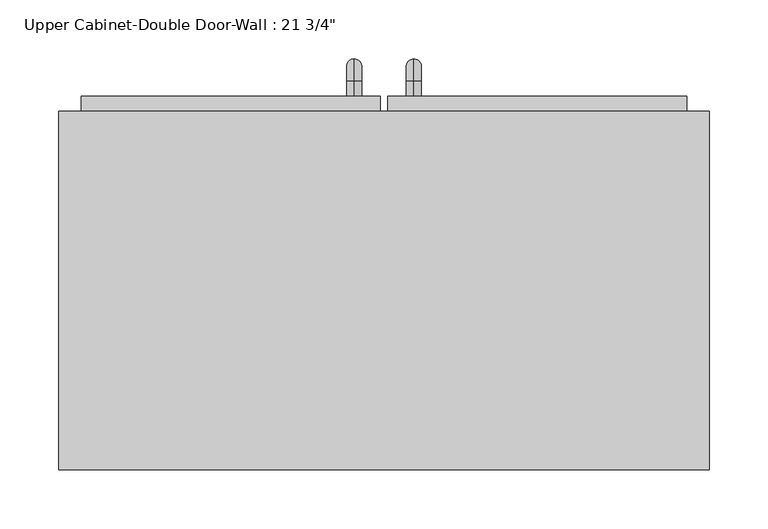
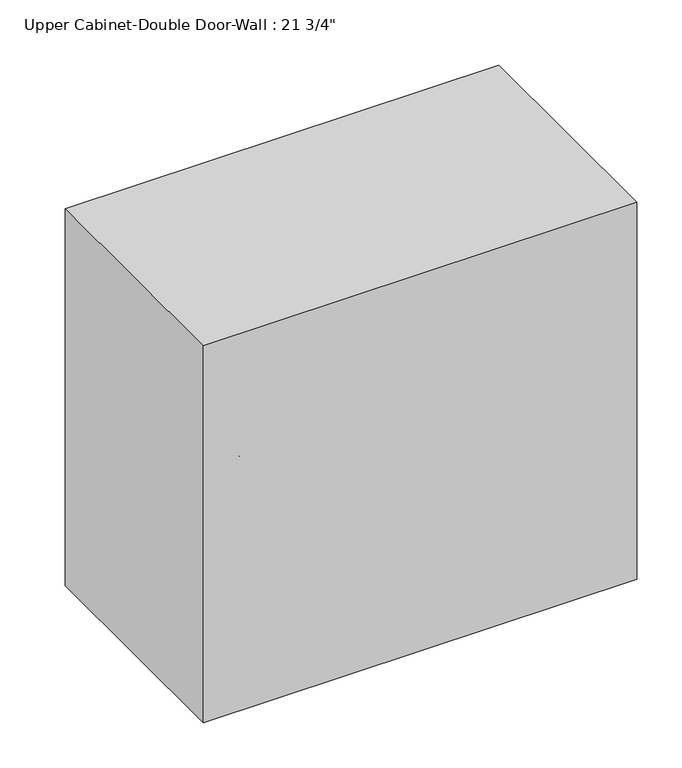
"""IFC4 building model written with IfcOpenShell, lengths in millimetres: furniture geometry."""

import ifcopenshell
import ifcopenshell.guid

model = None  # the IFC model being written
_history = None  # IfcOwnerHistory: only IFC2X3 demands one
_inside = {}  # id of a spatial element -> (the spatial element, [elements in it])
_under = {}  # id of a project, library or spatial element -> (it, [spatial elements below it])
_declared = {}  # id of a project -> (the project, [libraries it declares])
_typed = {}  # id of a type object -> (the type object, [elements of that type])
_made_of = {}  # id of a material, layer set ... -> (it, [elements and type objects made of it])


def new_model(schema):
    """Start an empty IFC model of exactly this schema.

    Asked for "IFC4X3", IfcOpenShell would pick the latest addendum, in which some entities
    have other attributes; the version numbers below select the first issue.
    IFC2X3 requires an IfcOwnerHistory on every rooted entity: one is made here for all.
    """
    global model, _history
    if schema == "IFC4X3":
        model = ifcopenshell.file(schema_version=(4, 3, 0, 0))
    else:
        model = ifcopenshell.file(schema=schema)
    _inside.clear()
    _under.clear()
    _declared.clear()
    _typed.clear()
    _made_of.clear()
    _history = None
    if model.schema == "IFC2X3":
        org = make("IfcOrganization", Name="unknown")
        user = make(
            "IfcPersonAndOrganization",
            ThePerson=make("IfcPerson", FamilyName="unknown"),
            TheOrganization=org,
        )
        app = make(
            "IfcApplication",
            ApplicationDeveloper=org,
            Version="unknown",
            ApplicationFullName="unknown",
            ApplicationIdentifier="unknown",
        )
        _history = make(
            "IfcOwnerHistory",
            OwningUser=user,
            OwningApplication=app,
            ChangeAction="ADDED",
            CreationDate=0,
        )
    return model


def make(cls, **values):
    """One entity of the class cls with the attributes given. An attribute that is None is left unset."""
    return model.create_entity(
        cls, **{name: value for name, value in values.items() if value is not None}
    )


def rooted(cls, **values):
    """An entity with a GlobalId (a new one), such as an element, a storey or a relation."""
    return make(cls, GlobalId=ifcopenshell.guid.new(), OwnerHistory=_history, **values)


def si_unit(unit_type, name, prefix=None):
    """IfcSIUnit, for example si_unit("LENGTHUNIT", "METRE", prefix="MILLI")."""
    return make("IfcSIUnit", UnitType=unit_type, Prefix=prefix, Name=name)


def assignment(units):
    """IfcUnitAssignment: the units of a project."""
    return None if units is None else make("IfcUnitAssignment", Units=units)


def point(xyz):
    """IfcCartesianPoint."""
    return None if xyz is None else make("IfcCartesianPoint", Coordinates=xyz)


def direction(xyz):
    """IfcDirection."""
    return None if xyz is None else make("IfcDirection", DirectionRatios=xyz)


def frame(location, z_axis=None, x_axis=None):
    """IfcAxis2Placement3D, a coordinate frame: its origin and axes. An axis left out is left unset."""
    return make(
        "IfcAxis2Placement3D",
        Location=point(location),
        Axis=direction(z_axis),
        RefDirection=direction(x_axis),
    )


def origin():
    """The frame at (0, 0, 0) with its axes left unset."""
    return frame((0.0, 0.0, 0.0))


def place(relative_to, where):
    """IfcLocalPlacement: puts the frame where relative to a parent placement (None: the world)."""
    return make(
        "IfcLocalPlacement", PlacementRelTo=relative_to, RelativePlacement=where
    )


def context(
    kind, dimensions, precision=None, world=None, true_north=None, identifier=None
):
    """IfcGeometricRepresentationContext, for example the 3D "Model" context."""
    return make(
        "IfcGeometricRepresentationContext",
        ContextIdentifier=identifier,
        ContextType=kind,
        CoordinateSpaceDimension=dimensions,
        Precision=precision,
        WorldCoordinateSystem=world,
        TrueNorth=true_north,
    )


def project(units=None, contexts=None):
    """IfcProject with its units and contexts."""
    return rooted(
        "IfcProject",
        Name="project",
        RepresentationContexts=contexts,
        UnitsInContext=assignment(units),
    )


def spatial(cls, under=None, at=None, **own):
    """A site, building, storey or space (cls), placed at a placement, below another one or the project."""
    s = rooted(cls, ObjectPlacement=at, **own)
    if under is not None:
        _under.setdefault(under.id(), (under, []))[1].append(s)
    return s


def polyline(points):
    """IfcPolyline through the points."""
    return make("IfcPolyline", Points=[point(p) for p in points])


def circle_curve(where, radius):
    """IfcCircle in the frame where."""
    return make("IfcCircle", Position=where, Radius=radius)


def ellipse_curve(where, semi_axis1, semi_axis2):
    """IfcEllipse in the frame where."""
    return make(
        "IfcEllipse", Position=where, SemiAxis1=semi_axis1, SemiAxis2=semi_axis2
    )


def trimmed(basis, trim1, trim2, sense, master):
    """IfcTrimmedCurve: the piece of a basis curve between two trims."""
    return make(
        "IfcTrimmedCurve",
        BasisCurve=basis,
        Trim1=trim1,
        Trim2=trim2,
        SenseAgreement=sense,
        MasterRepresentation=master,
    )


def outline(outer, holes=None, kind="AREA"):
    """IfcArbitraryClosedProfileDef: a profile drawn as a closed curve; with holes, ...WithVoids."""
    if holes is None:
        return make("IfcArbitraryClosedProfileDef", ProfileType=kind, OuterCurve=outer)
    return make(
        "IfcArbitraryProfileDefWithVoids",
        ProfileType=kind,
        OuterCurve=outer,
        InnerCurves=holes,
    )


def extrude(swept, where, along, depth):
    """IfcExtrudedAreaSolid: the profile swept, set in the frame where, extruded along a direction by depth."""
    return make(
        "IfcExtrudedAreaSolid",
        SweptArea=swept,
        Position=where,
        ExtrudedDirection=direction(along),
        Depth=depth,
    )


def faces_of(points, faces, orient=None, outer=None):
    """IfcFace entities. A face is a list of loops; a loop is a list of indices into points, from 0.

    orient and outer hold one flag for each loop. By default every Orientation is true, the
    first loop of a face is its IfcFaceOuterBound and the others are IfcFaceBound.
    """
    made = []
    for i, loops in enumerate(faces):
        bounds = []
        for j, loop in enumerate(loops):
            is_outer = j == 0 if outer is None else outer[i][j]
            bounds.append(
                make(
                    "IfcFaceOuterBound" if is_outer else "IfcFaceBound",
                    Bound=make("IfcPolyLoop", Polygon=[points[k] for k in loop]),
                    Orientation=True if orient is None else orient[i][j],
                )
            )
        made.append(make("IfcFace", Bounds=bounds))
    return made


def faceted_brep(points, faces, orient=None, outer=None, voids=None):
    """IfcFacetedBrep: a solid bounded by flat faces; with voids (closed shells), ...WithVoids."""
    shared = [point(p) for p in points]
    hull = make("IfcClosedShell", CfsFaces=faces_of(shared, faces, orient, outer))
    if voids is None:
        return make("IfcFacetedBrep", Outer=hull)
    return make(
        "IfcFacetedBrepWithVoids",
        Outer=hull,
        Voids=[
            make(cls, CfsFaces=faces_of(shared, fs, o, b)) for cls, fs, o, b in voids
        ],
    )


def shape(context_of_items, identifier, shape_type, items):
    """IfcShapeRepresentation: the items that make up one representation, for example the "Body"."""
    return make(
        "IfcShapeRepresentation",
        ContextOfItems=context_of_items,
        RepresentationIdentifier=identifier,
        RepresentationType=shape_type,
        Items=items,
    )


def source(mapping_origin, context_of_items, identifier, shape_type, items):
    """IfcRepresentationMap: a shape defined once, which mapped items show again and again."""
    return make(
        "IfcRepresentationMap",
        MappingOrigin=mapping_origin,
        MappedRepresentation=shape(context_of_items, identifier, shape_type, items),
    )


def transform(
    local_origin,
    x_axis=None,
    y_axis=None,
    z_axis=None,
    scale=None,
    scale2=None,
    scale3=None,
    uniform=True,
):
    """IfcCartesianTransformationOperator3D, or its non-uniform kind. x_axis, y_axis, z_axis: its Axis1, 2, 3."""
    if uniform:
        return make(
            "IfcCartesianTransformationOperator3D",
            Axis1=direction(x_axis),
            Axis2=direction(y_axis),
            LocalOrigin=point(local_origin),
            Scale=scale,
            Axis3=direction(z_axis),
        )
    return make(
        "IfcCartesianTransformationOperator3DnonUniform",
        Axis1=direction(x_axis),
        Axis2=direction(y_axis),
        LocalOrigin=point(local_origin),
        Scale=scale,
        Axis3=direction(z_axis),
        Scale2=scale2,
        Scale3=scale3,
    )


def mapped(mapping_source, mapping_target):
    """IfcMappedItem: shows the shape of a source again, moved by a transform."""
    return make(
        "IfcMappedItem", MappingSource=mapping_source, MappingTarget=mapping_target
    )


def made_of(thing, what):
    """Note that an element or type object is made of a material, layer set ...; save() writes the relation."""
    if what is not None:
        _made_of.setdefault(what.id(), (what, []))[1].append(thing)
    return thing


def element(
    cls,
    number,
    at=None,
    inside=None,
    cuts=None,
    type_object=None,
    material=None,
    context=None,
    identifier="Body",
    shape_type=None,
    held_by="IfcProductDefinitionShape",
    body=None,
    shapes=None,
    **own,
):
    """One element of the class cls, such as IfcWall. Its Tag is "e" and its number.

    at: its placement. inside: the storey or other place that contains it. cuts: it is an
    opening in that element (IfcRelVoidsElement). A single representation is given by context,
    identifier, shape_type and body (its items); several are given by shapes. held_by: the class
    of the entity that holds the representations. save() writes the other relations.
    """
    e = rooted(cls, Tag="e%d" % number, ObjectPlacement=at, **own)
    if body is not None:
        shapes = [shape(context, identifier, shape_type, body)]
    if shapes is not None:
        e.Representation = make(held_by, Representations=shapes)
    if inside is not None:
        _inside.setdefault(inside.id(), (inside, []))[1].append(e)
    if cuts is not None:
        rooted(
            "IfcRelVoidsElement", RelatingBuildingElement=cuts, RelatedOpeningElement=e
        )
    if type_object is not None:
        _typed.setdefault(type_object.id(), (type_object, []))[1].append(e)
    return made_of(e, material)


def aggregate(whole, parts):
    """IfcRelAggregates: a whole, such as a stair, and the parts it consists of."""
    return rooted("IfcRelAggregates", RelatingObject=whole, RelatedObjects=parts)


def save(model, path):
    """Write the relations noted so far, then the file.

    IfcRelAggregates (storeys below a building ...), IfcRelContainedInSpatialStructure (elements
    in a storey), IfcRelDefinesByType, IfcRelAssociatesMaterial and IfcRelDeclares: one each for
    every whole, place, type object, material and project.
    """
    for whole, parts in _under.values():
        aggregate(whole, parts)
    for where, things in _inside.values():
        rooted(
            "IfcRelContainedInSpatialStructure",
            RelatedElements=things,
            RelatingStructure=where,
        )
    for kind, things in _typed.values():
        rooted("IfcRelDefinesByType", RelatedObjects=things, RelatingType=kind)
    for what, things in _made_of.values():
        rooted("IfcRelAssociatesMaterial", RelatedObjects=things, RelatingMaterial=what)
    for by, libraries in _declared.values():
        rooted("IfcRelDeclares", RelatingContext=by, RelatedDefinitions=libraries)
    model.write(path)


def plane_surface(at):
    """IfcPlane: the flat surface through the origin of the frame at, square to its z axis."""
    return make("IfcPlane", Position=at)


def cylinder_surface(at, radius):
    """IfcCylindricalSurface: all points at the distance radius from the z axis of the frame at."""
    return make("IfcCylindricalSurface", Position=at, Radius=radius)


def revolved_surface(curve, axis_point, axis_direction):
    """IfcSurfaceOfRevolution: the curve turned about the line through axis_point along axis_direction."""
    return make(
        "IfcSurfaceOfRevolution",
        SweptCurve=make("IfcArbitraryOpenProfileDef", ProfileType="CURVE", Curve=curve),
        AxisPosition=make("IfcAxis1Placement", Location=point(axis_point), Axis=direction(axis_direction)),
    )


def advanced_brep(points, edges, surfaces, faces):
    """IfcAdvancedBrep: a solid bounded by faces that lie on surfaces and meet in shared edges.

    An edge is (start, end): straight between two places in points (the first is 0);
    or (start, end, curve); or (start, end, curve, False) where it runs against its curve.
    A face is (place in surfaces, loops), or (place, loops, False) where it looks against
    its surface's normal. A loop lists edges by number (the first is 1), with a minus sign
    where the edge is run from its end to its start. The first loop is the outer one.
    """
    corners = [point(p) for p in points]
    vertices = [make("IfcVertexPoint", VertexGeometry=c) for c in corners]
    made = []
    for start, end, *more in edges:
        made.append(
            make(
                "IfcEdgeCurve",
                EdgeStart=vertices[start],
                EdgeEnd=vertices[end],
                EdgeGeometry=more[0] if more else make("IfcPolyline", Points=[corners[start], corners[end]]),
                SameSense=more[1] if len(more) > 1 else True,
            )
        )
    hull = []
    for where, loops, *sense in faces:
        bounds = []
        for j, loop in enumerate(loops):
            ring = [make("IfcOrientedEdge", EdgeElement=made[abs(k) - 1], Orientation=k > 0) for k in loop]
            bounds.append(
                make(
                    "IfcFaceOuterBound" if j == 0 else "IfcFaceBound",
                    Bound=make("IfcEdgeLoop", EdgeList=ring),
                    Orientation=True,
                )
            )
        hull.append(make("IfcAdvancedFace", Bounds=bounds, FaceSurface=surfaces[where], SameSense=sense[0] if sense else True))
    return make("IfcAdvancedBrep", Outer=make("IfcClosedShell", CfsFaces=hull))


def furniture_36d92f7d(model_context):
    return source(origin(), model_context, "Body", "SolidModel", [
        faceted_brep([(-246.4538372, 53.975, 2133.6), (-246.4538372, 53.975, 1625.6), (305.9961628, 53.975, 1625.6), (305.9961628, 53.975, 2133.6), (-246.4538372, 358.775, 2133.6), (305.9961628, 358.775, 2133.6), (305.9961628, 358.775, 1625.6), (-246.4538372, 358.775, 1625.6), (-227.4038372, 358.775, 2114.55), (-227.4038372, 358.775, 1644.65), (286.9461628, 358.775, 1644.65), (286.9461628, 358.775, 2114.55), (286.9461628, 73.025, 2114.55), (-227.4038372, 73.025, 2114.55), (286.9461628, 73.025, 1644.65), (-227.4038372, 73.025, 1644.65)], [[[0, 1, 2, 3]], [[4, 5, 6, 7], [8, 9, 10, 11]], [[1, 0, 4, 7]], [[2, 1, 7, 6]], [[3, 2, 6, 5]], [[0, 3, 5, 4]], [[8, 11, 12, 13]], [[11, 10, 14, 12]], [[10, 9, 15, 14]], [[9, 8, 13, 15]], [[13, 12, 14, 15]]]),
        advanced_brep(
        [(55.1711628, 371.475, 1771.65), (55.1711628, 371.475, 1784.35), (55.1711628, 384.175, 1771.65), (55.1711628, 384.175, 1784.35), (55.1711628, 403.225, 1765.3), (55.1711628, 390.525, 1765.3), (55.1711628, 390.525, 1689.1), (55.1711628, 403.225, 1689.1), (55.1711628, 384.175, 1670.05), (55.1711628, 384.175, 1682.75), (55.1711628, 371.475, 1682.75), (55.1711628, 371.475, 1670.05)],
        [
            (0, 1, circle_curve(frame((55.1711628, 371.475, 1778.0), z_axis=(0.0, -1.0, 0.0), x_axis=(0.0, 0.0, -1.0)), 6.35)),
            (1, 0, circle_curve(frame((55.1711628, 371.475, 1778.0), z_axis=(0.0, -1.0, 0.0), x_axis=(0.0, 0.0, -1.0)), 6.35)),
            (0, 2),
            (2, 3, circle_curve(frame((55.1711628, 384.175, 1778.0), z_axis=(0.0, -1.0, 0.0), x_axis=(0.0, 0.0, -1.0)), 6.35)),
            (3, 1),
            (3, 2, circle_curve(frame((55.1711628, 384.175, 1778.0), z_axis=(0.0, -1.0, 0.0), x_axis=(0.0, 0.0, -1.0)), 6.35)),
            (4, 3, circle_curve(frame((55.1711628, 384.175, 1765.3), z_axis=(1.0, 0.0, 0.0), x_axis=(0.0, 0.0, 1.0)), 19.05)),
            (2, 5, circle_curve(frame((55.1711628, 384.175, 1765.3), z_axis=(-1.0, 0.0, 0.0), x_axis=(0.0, 0.0, 1.0)), 6.35)),
            (5, 4, circle_curve(frame((55.1711628, 396.875, 1765.3), z_axis=(0.0, 0.0, 1.0), x_axis=(0.0, -1.0, 0.0)), 6.35)),
            (4, 5, circle_curve(frame((55.1711628, 396.875, 1765.3), z_axis=(0.0, 0.0, 1.0), x_axis=(0.0, -1.0, 0.0)), 6.35)),
            (5, 6),
            (6, 7, circle_curve(frame((55.1711628, 396.875, 1689.1), z_axis=(0.0, 0.0, 1.0), x_axis=(0.0, -1.0, 0.0)), 6.35)),
            (7, 4),
            (7, 6, circle_curve(frame((55.1711628, 396.875, 1689.1), z_axis=(0.0, 0.0, 1.0), x_axis=(0.0, -1.0, 0.0)), 6.35)),
            (8, 7, circle_curve(frame((55.1711628, 384.175, 1689.1), z_axis=(1.0, 0.0, 0.0), x_axis=(0.0, 1.0, 0.0)), 19.05)),
            (6, 9, circle_curve(frame((55.1711628, 384.175, 1689.1), z_axis=(-1.0, 0.0, 0.0), x_axis=(0.0, 1.0, 0.0)), 6.35)),
            (9, 8, circle_curve(frame((55.1711628, 384.175, 1676.4), z_axis=(0.0, 1.0, 0.0), x_axis=(0.0, 0.0, 1.0)), 6.35)),
            (8, 9, circle_curve(frame((55.1711628, 384.175, 1676.4), z_axis=(0.0, 1.0, 0.0), x_axis=(0.0, 0.0, 1.0)), 6.35)),
            (10, 11, circle_curve(frame((55.1711628, 371.475, 1676.4), z_axis=(0.0, -1.0, 0.0), x_axis=(0.0, 0.0, 1.0)), 6.35)),
            (11, 10, circle_curve(frame((55.1711628, 371.475, 1676.4), z_axis=(0.0, -1.0, 0.0), x_axis=(0.0, 0.0, 1.0)), 6.35)),
            (9, 10),
            (11, 8),
        ],
        [
            plane_surface(frame((48.8211628, 371.475, 1778.0), z_axis=(0.0, -1.0, 0.0), x_axis=(0.0, 0.0, 1.0))),
            cylinder_surface(frame((55.1711628, 371.475, 1778.0), z_axis=(0.0, -1.0, 0.0), x_axis=(0.0, 0.0, -1.0)), 6.35),
            revolved_surface(trimmed(ellipse_curve(frame((55.1711628, 384.175, 1778.0), z_axis=(0.0, -1.0, 0.0), x_axis=(0.0, 0.0, -1.0)), 6.35, 6.35), [point((55.1711628, 384.175, 1771.65))], [point((55.1711628, 384.175, 1784.35))], True, "CARTESIAN"), (55.1711628, 384.175, 1765.3), (-1.0, 0.0, 0.0)),
            revolved_surface(trimmed(ellipse_curve(frame((55.1711628, 384.175, 1778.0), z_axis=(0.0, -1.0, 0.0), x_axis=(0.0, 0.0, -1.0)), 6.35, 6.35), [point((55.1711628, 384.175, 1784.35))], [point((55.1711628, 384.175, 1771.65))], True, "CARTESIAN"), (55.1711628, 384.175, 1765.3), (-1.0, 0.0, 0.0)),
            cylinder_surface(frame((55.1711628, 396.875, 1765.3), z_axis=(0.0, 0.0, 1.0), x_axis=(0.0, -1.0, 0.0)), 6.35),
            revolved_surface(trimmed(ellipse_curve(frame((55.1711628, 396.875, 1689.1), z_axis=(0.0, 0.0, 1.0), x_axis=(0.0, -1.0, 0.0)), 6.35, 6.35), [point((55.1711628, 390.525, 1689.1))], [point((55.1711628, 403.225, 1689.1))], True, "CARTESIAN"), (55.1711628, 384.175, 1689.1), (-1.0, 0.0, 0.0)),
            revolved_surface(trimmed(ellipse_curve(frame((55.1711628, 396.875, 1689.1), z_axis=(0.0, 0.0, 1.0), x_axis=(0.0, -1.0, 0.0)), 6.35, 6.35), [point((55.1711628, 403.225, 1689.1))], [point((55.1711628, 390.525, 1689.1))], True, "CARTESIAN"), (55.1711628, 384.175, 1689.1), (-1.0, 0.0, 0.0)),
            plane_surface(frame((48.8211628, 371.475, 1676.4), z_axis=(0.0, -1.0, 0.0), x_axis=(0.0, 0.0, -1.0))),
            cylinder_surface(frame((55.1711628, 384.175, 1676.4), z_axis=(0.0, 1.0, 0.0), x_axis=(0.0, 0.0, 1.0)), 6.35),
        ],
        [
            (0, [[1, 2]]),
            (1, [[-1, 3, 4, 5]]),
            (1, [[-2, -5, 6, -3]]),
            (2, [[7, -4, 8, 9]]),
            (3, [[-8, -6, -7, 10]]),
            (4, [[-9, 11, 12, 13]]),
            (4, [[-10, -13, 14, -11]]),
            (5, [[15, -12, 16, 17]]),
            (6, [[-16, -14, -15, 18]]),
            (7, [[19, 20]]),
            (8, [[-17, 21, -20, 22]]),
            (8, [[-18, -22, -19, -21]]),
        ],
    ),
        advanced_brep(
        [(4.3711628, 371.475, 1771.65), (4.3711628, 371.475, 1784.35), (4.3711628, 384.175, 1771.65), (4.3711628, 384.175, 1784.35), (4.3711628, 403.225, 1765.3), (4.3711628, 390.525, 1765.3), (4.3711628, 390.525, 1689.1), (4.3711628, 403.225, 1689.1), (4.3711628, 384.175, 1670.05), (4.3711628, 384.175, 1682.75), (4.3711628, 371.475, 1682.75), (4.3711628, 371.475, 1670.05)],
        [
            (0, 1, circle_curve(frame((4.3711628, 371.475, 1778.0), z_axis=(0.0, -1.0, 0.0), x_axis=(0.0, 0.0, 1.0)), 6.35)),
            (1, 0, circle_curve(frame((4.3711628, 371.475, 1778.0), z_axis=(0.0, -1.0, 0.0), x_axis=(0.0, 0.0, 1.0)), 6.35)),
            (0, 2),
            (2, 3, circle_curve(frame((4.3711628, 384.175, 1778.0), z_axis=(0.0, -1.0, 0.0), x_axis=(0.0, 0.0, 1.0)), 6.35)),
            (3, 1),
            (3, 2, circle_curve(frame((4.3711628, 384.175, 1778.0), z_axis=(0.0, -1.0, 0.0), x_axis=(0.0, 0.0, 1.0)), 6.35)),
            (4, 3, circle_curve(frame((4.3711628, 384.175, 1765.3), z_axis=(1.0, 0.0, 0.0), x_axis=(0.0, 0.0, 1.0)), 19.05)),
            (2, 5, circle_curve(frame((4.3711628, 384.175, 1765.3), z_axis=(-1.0, 0.0, 0.0), x_axis=(0.0, 0.0, 1.0)), 6.35)),
            (5, 4, circle_curve(frame((4.3711628, 396.875, 1765.3), z_axis=(0.0, 0.0, 1.0), x_axis=(0.0, 1.0, 0.0)), 6.35)),
            (4, 5, circle_curve(frame((4.3711628, 396.875, 1765.3), z_axis=(0.0, 0.0, 1.0), x_axis=(0.0, 1.0, 0.0)), 6.35)),
            (5, 6),
            (6, 7, circle_curve(frame((4.3711628, 396.875, 1689.1), z_axis=(0.0, 0.0, 1.0), x_axis=(0.0, 1.0, 0.0)), 6.35)),
            (7, 4),
            (7, 6, circle_curve(frame((4.3711628, 396.875, 1689.1), z_axis=(0.0, 0.0, 1.0), x_axis=(0.0, 1.0, 0.0)), 6.35)),
            (8, 7, circle_curve(frame((4.3711628, 384.175, 1689.1), z_axis=(1.0, 0.0, 0.0), x_axis=(0.0, 1.0, 0.0)), 19.05)),
            (6, 9, circle_curve(frame((4.3711628, 384.175, 1689.1), z_axis=(-1.0, 0.0, 0.0), x_axis=(0.0, 1.0, 0.0)), 6.35)),
            (9, 8, circle_curve(frame((4.3711628, 384.175, 1676.4), z_axis=(0.0, 1.0, 0.0), x_axis=(0.0, 0.0, -1.0)), 6.35)),
            (8, 9, circle_curve(frame((4.3711628, 384.175, 1676.4), z_axis=(0.0, 1.0, 0.0), x_axis=(0.0, 0.0, -1.0)), 6.35)),
            (10, 11, circle_curve(frame((4.3711628, 371.475, 1676.4), z_axis=(0.0, -1.0, 0.0), x_axis=(0.0, 0.0, -1.0)), 6.35)),
            (11, 10, circle_curve(frame((4.3711628, 371.475, 1676.4), z_axis=(0.0, -1.0, 0.0), x_axis=(0.0, 0.0, -1.0)), 6.35)),
            (9, 10),
            (11, 8),
        ],
        [
            plane_surface(frame((-1.9788372, 371.475, 1778.0), z_axis=(0.0, -1.0, 0.0), x_axis=(0.0, 0.0, 1.0))),
            cylinder_surface(frame((4.3711628, 371.475, 1778.0), z_axis=(0.0, -1.0, 0.0), x_axis=(0.0, 0.0, 1.0)), 6.35),
            revolved_surface(trimmed(ellipse_curve(frame((4.3711628, 384.175, 1778.0), z_axis=(0.0, -1.0, 0.0), x_axis=(0.0, 0.0, 1.0)), 6.35, 6.35), [point((4.3711628, 384.175, 1771.65))], [point((4.3711628, 384.175, 1784.35))], True, "CARTESIAN"), (4.3711628, 384.175, 1765.3), (-1.0, 0.0, 0.0)),
            revolved_surface(trimmed(ellipse_curve(frame((4.3711628, 384.175, 1778.0), z_axis=(0.0, -1.0, 0.0), x_axis=(0.0, 0.0, 1.0)), 6.35, 6.35), [point((4.3711628, 384.175, 1784.35))], [point((4.3711628, 384.175, 1771.65))], True, "CARTESIAN"), (4.3711628, 384.175, 1765.3), (-1.0, 0.0, 0.0)),
            cylinder_surface(frame((4.3711628, 396.875, 1765.3), z_axis=(0.0, 0.0, 1.0), x_axis=(0.0, 1.0, 0.0)), 6.35),
            revolved_surface(trimmed(ellipse_curve(frame((4.3711628, 396.875, 1689.1), z_axis=(0.0, 0.0, 1.0), x_axis=(0.0, 1.0, 0.0)), 6.35, 6.35), [point((4.3711628, 390.525, 1689.1))], [point((4.3711628, 403.225, 1689.1))], True, "CARTESIAN"), (4.3711628, 384.175, 1689.1), (-1.0, 0.0, 0.0)),
            revolved_surface(trimmed(ellipse_curve(frame((4.3711628, 396.875, 1689.1), z_axis=(0.0, 0.0, 1.0), x_axis=(0.0, 1.0, 0.0)), 6.35, 6.35), [point((4.3711628, 403.225, 1689.1))], [point((4.3711628, 390.525, 1689.1))], True, "CARTESIAN"), (4.3711628, 384.175, 1689.1), (-1.0, 0.0, 0.0)),
            plane_surface(frame((-1.9788372, 371.475, 1676.4), z_axis=(0.0, -1.0, 0.0), x_axis=(0.0, 0.0, -1.0))),
            cylinder_surface(frame((4.3711628, 384.175, 1676.4), z_axis=(0.0, 1.0, 0.0), x_axis=(0.0, 0.0, -1.0)), 6.35),
        ],
        [
            (0, [[1, 2]]),
            (1, [[-1, 3, 4, 5]]),
            (1, [[-2, -5, 6, -3]]),
            (2, [[7, -4, 8, 9]]),
            (3, [[-8, -6, -7, 10]]),
            (4, [[-9, 11, 12, 13]]),
            (4, [[-10, -13, 14, -11]]),
            (5, [[15, -12, 16, 17]]),
            (6, [[-16, -14, -15, 18]]),
            (7, [[19, 20]]),
            (8, [[-17, 21, -20, 22]]),
            (8, [[-18, -22, -19, -21]]),
        ],
    ),
        extrude(outline(polyline([(32.9461628, 371.475), (286.9461628, 371.475), (286.9461628, 339.725), (32.9461628, 339.725), (32.9461628, 371.475)])), frame((0.0, 0.0, 1644.65), z_axis=(0.0, 0.0, 1.0), x_axis=(1.0, 0.0, 0.0)), (0.0, 0.0, 1.0), 469.9),
        extrude(outline(polyline([(-227.4038372, 371.475), (26.5961628, 371.475), (26.5961628, 339.725), (-227.4038372, 339.725), (-227.4038372, 371.475)])), frame((0.0, 0.0, 1644.65), z_axis=(0.0, 0.0, 1.0), x_axis=(1.0, 0.0, 0.0)), (0.0, 0.0, 1.0), 469.9),
    ])


if __name__ == "__main__":
    model = new_model("IFC4")
    model_context = context("Model", 3, world=origin())
    ifc_project = project(units=[si_unit("LENGTHUNIT", "METRE", prefix="MILLI")], contexts=[model_context])
    site = spatial("IfcSite", under=ifc_project)
    building = spatial("IfcBuilding", under=site)
    placement = place(None, origin())
    furniture_shape = furniture_36d92f7d(model_context)
    element("IfcFurniture", 1, ObjectType="Upper Cabinet-Double Door-Wall : 21 3/4\"", at=placement, inside=building, context=model_context, shape_type="MappedRepresentation", body=[
        mapped(furniture_shape, transform((0.0, 0.0, 0.0), x_axis=(1.0, 0.0, 0.0), y_axis=(0.0, 1.0, 0.0), z_axis=(0.0, 0.0, 1.0))),
    ])
    save(model, "model.ifc")
